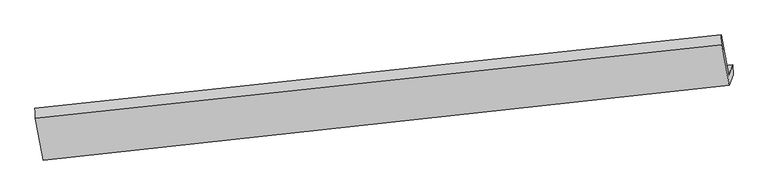
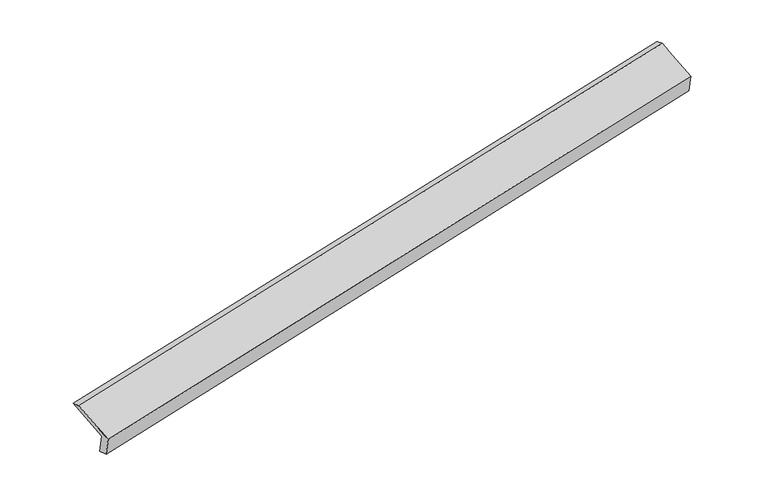
"""IFC4 building model written with IfcOpenShell, lengths in millimetres: proxy geometry."""

from ifc_helpers import new_model, si_unit, frame, origin, place, context, project, spatial, source, transform, mapped, element, save
from ifc_brep_helpers import plane_surface, spline_surface, advanced_brep


def generic_models_e230e0cc(model_context):
    return source(origin(), model_context, "Body", "AdvancedBrep", [
        advanced_brep(
        [(-8453.900043, -2143.2643778, 399.7074095), (-8518.3115801, -2318.7743482, 813.4720759), (2830.5143139, -1088.182108, 3086.4433577), (2894.2165378, -914.6048896, 2677.2351532), (-8442.4951263, -2317.7244624, 439.6254561), (2901.185125, -1085.765633, 2734.3222366), (-8507.2832872, -2494.2606657, 855.8094661), (2837.1062772, -1260.3690843, 3145.9497848), (-8640.5734863, -1799.806997, 1129.6320649), (2710.2911148, -583.9064379, 3413.1489646), (-8649.1125863, -1637.2895935, 1082.1810409), (2706.1315783, -424.6946126, 3348.5174213)],
        [
            (0, 1),
            (1, 2),
            (2, 3),
            (3, 0),
            (4, 0),
            (3, 5),
            (5, 4),
            (6, 4),
            (5, 7),
            (7, 6),
            (8, 6),
            (7, 9),
            (9, 8),
            (10, 8),
            (9, 11),
            (11, 10),
            (1, 10),
            (11, 2),
        ],
        [
            plane_surface(frame((-8486.1058116, -2231.019363, 606.5897427), z_axis=(-0.17183373802314172, 0.9162429263266877, 0.36190063060638983), x_axis=(-0.14186262642174216, -0.3865503991193603, 0.9112923702991201))),
            spline_surface(1, 1, [[(-8442.4951263, -2317.7244624, 439.6254561), (2901.185125, -1085.765633, 2734.3222366)], [(-8453.900043, -2143.2643778, 399.7074095), (2894.2165378, -914.6048896, 2677.2351532)]], [2, 2], [2, 2], [0.0, 1.0], [0.0, 1.0]),
            plane_surface(frame((-8474.8892068, -2405.9925641, 647.7174611), z_axis=(0.17267116458505133, -0.9161521685659725, -0.3617317693439551), x_axis=(0.14186262642169659, 0.3865503991193924, -0.9112923702991136))),
            spline_surface(1, 1, [[(-8640.5734863, -1799.806997, 1129.6320649), (2710.2911148, -583.9064379, 3413.1489646)], [(-8507.2832872, -2494.2606657, 855.8094661), (2837.1062772, -1260.3690843, 3145.9497848)]], [2, 2], [2, 2], [0.0, 1.0], [0.0, 1.0]),
            spline_surface(1, 1, [[(-8649.1125863, -1637.2895935, 1082.1810409), (2706.1315783, -424.6946126, 3348.5174213)], [(-8640.5734863, -1799.806997, 1129.6320649), (2710.2911148, -583.9064379, 3413.1489646)]], [2, 2], [2, 2], [0.0, 1.0], [0.0, 1.0]),
            spline_surface(1, 1, [[(-8518.3115801, -2318.7743482, 813.4720759), (2830.5143139, -1088.182108, 3086.4433577)], [(-8649.1125863, -1637.2895935, 1082.1810409), (2706.1315783, -424.6946126, 3348.5174213)]], [2, 2], [2, 2], [0.0, 1.0], [0.0, 1.0]),
            plane_surface(frame((2813.2408245, -892.9204609, 3067.6028197), z_axis=(0.9748696677795861, 0.10518848754397209, 0.19637849406574864), x_axis=(0.17176765140169994, -0.9162500592244879, -0.3619139440572392))),
            plane_surface(frame((-8535.2793515, -2118.5200741, 786.7379189), z_axis=(-0.9741548708913685, -0.10895650256183091, -0.19786553026769196), x_axis=(0.14186262642176461, 0.386550399119395, -0.9112923702991018))),
        ],
        [
            (0, [[1, 2, 3, 4]]),
            (1, [[5, -4, 6, 7]]),
            (2, [[8, -7, 9, 10]]),
            (3, [[11, -10, 12, 13]]),
            (4, [[14, -13, 15, 16]]),
            (5, [[17, -16, 18, -2]]),
            (6, [[-12, -9, -6, -3, -18, -15]]),
            (7, [[-1, -5, -8, -11, -14, -17]]),
        ],
    ),
    ])


if __name__ == "__main__":
    model = new_model("IFC4")
    model_context = context("Model", 3, world=origin())
    ifc_project = project(units=[si_unit("LENGTHUNIT", "METRE", prefix="MILLI")], contexts=[model_context])
    site = spatial("IfcSite", under=ifc_project)
    building = spatial("IfcBuilding", under=site)
    placement = place(None, origin())
    generic_models_shape = generic_models_e230e0cc(model_context)
    element("IfcBuildingElementProxy", 1, Name="Generic Models", at=placement, inside=building, context=model_context, shape_type="MappedRepresentation", body=[
        mapped(generic_models_shape, transform((0.0, 0.0, 0.0), x_axis=(1.0, 0.0, 0.0), y_axis=(0.0, 1.0, 0.0), z_axis=(0.0, 0.0, 1.0))),
    ])
    save(model, "model.ifc")
